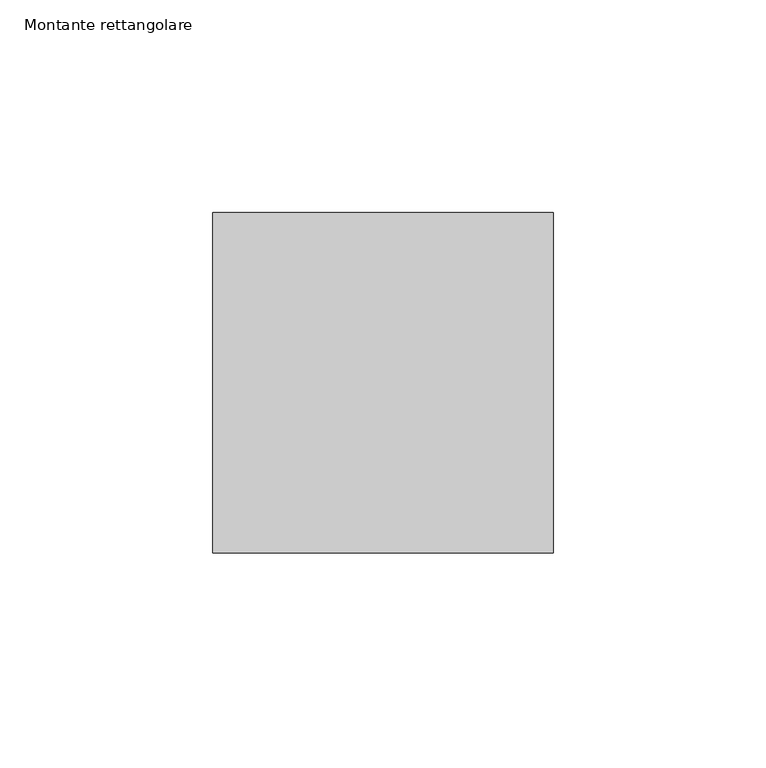
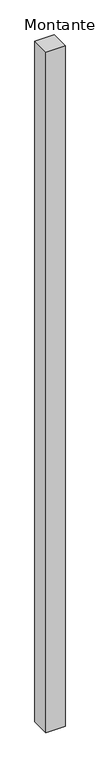
"""IFC4 building model written with IfcOpenShell, lengths in millimetres: member geometry, Montante rettangolare."""

from ifc_helpers import new_model, si_unit, frame, origin, place, context, project, spatial, polyline, outline, extrude, source, transform, mapped, element, save


def montante_rettangolare_dd6003f9(model_context):
    return source(origin(), model_context, "Body", "SweptSolid", [
        extrude(outline(polyline([(0.0, 40.0), (0.0, -40.0), (-80.0, -40.0), (-80.0, 40.0), (0.0, 40.0)])), frame((0.0, 0.0, -3013.6856055), z_axis=(0.0, 0.0, 1.0), x_axis=(1.0, 0.0, 0.0)), (0.0, 0.0, 1.0), 3013.6856055),
    ])


if __name__ == "__main__":
    model = new_model("IFC4")
    model_context = context("Model", 3, world=origin())
    ifc_project = project(units=[si_unit("LENGTHUNIT", "METRE", prefix="MILLI")], contexts=[model_context])
    site = spatial("IfcSite", under=ifc_project)
    building = spatial("IfcBuilding", under=site)
    placement = place(None, origin())
    montante_rettangolare_shape = montante_rettangolare_dd6003f9(model_context)
    element("IfcMember", 1, ObjectType="Montante rettangolare", at=placement, inside=building, context=model_context, shape_type="MappedRepresentation", body=[
        mapped(montante_rettangolare_shape, transform((0.0, 0.0, 0.0), x_axis=(1.0, 0.0, 0.0), y_axis=(0.0, 1.0, 0.0), z_axis=(0.0, 0.0, 1.0))),
    ])
    save(model, "model.ifc")
